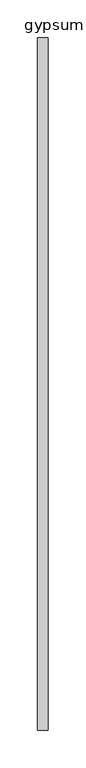
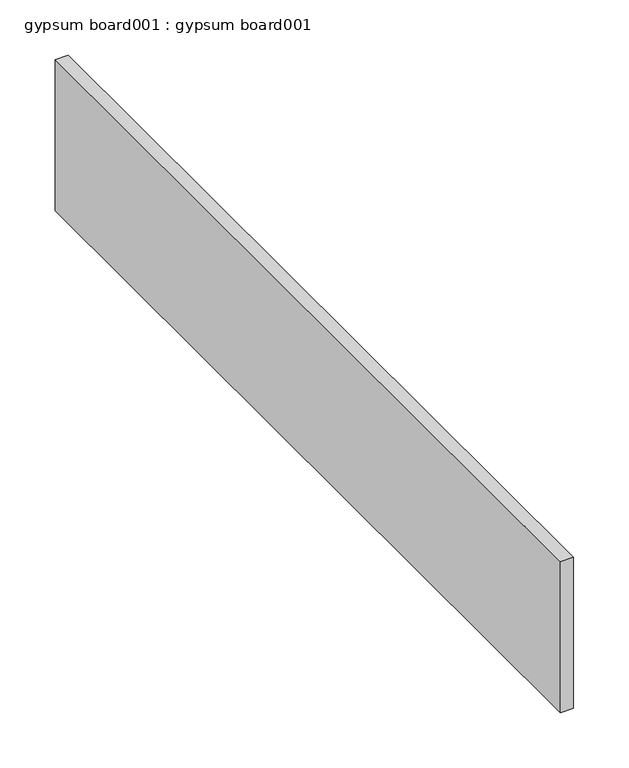
"""IFC4 building model written with IfcOpenShell, lengths in millimetres: proxy geometry, gypsum board001 : gypsum board001."""

from ifc_helpers import new_model, si_unit, frame, origin, place, context, project, spatial, polyline, outline, extrude, source, transform, mapped, element, save


def gypsum_board001_gypsum_board001_2e15788f(model_context):
    return source(origin(), model_context, "Body", "SweptSolid", [
        extrude(outline(polyline([(36987.2539063, -24281.9529946), (37000.9257813, -24281.9529946), (37000.9257813, -25196.3529946), (36987.2539063, -25196.3529946), (36987.2539063, -24281.9529946)])), frame((0.0, 0.0, 2581.4093202), z_axis=(0.0, 0.0, 1.0), x_axis=(1.0, 0.0, 0.0)), (0.0, 0.0, 1.0), 166.8132324),
    ])


if __name__ == "__main__":
    model = new_model("IFC4")
    model_context = context("Model", 3, world=origin())
    ifc_project = project(units=[si_unit("LENGTHUNIT", "METRE", prefix="MILLI")], contexts=[model_context])
    site = spatial("IfcSite", under=ifc_project)
    building = spatial("IfcBuilding", under=site)
    placement = place(None, origin())
    gypsum_board001_gypsum_board001_shape = gypsum_board001_gypsum_board001_2e15788f(model_context)
    element("IfcBuildingElementProxy", 1, Name="gypsum board001 : gypsum board001", ObjectType="gypsum board001 : gypsum board001", at=placement, inside=building, context=model_context, shape_type="MappedRepresentation", body=[
        mapped(gypsum_board001_gypsum_board001_shape, transform((0.0, 0.0, 0.0), x_axis=(1.0, 0.0, 0.0), y_axis=(0.0, 1.0, 0.0), z_axis=(0.0, 0.0, 1.0))),
    ])
    save(model, "model.ifc")
